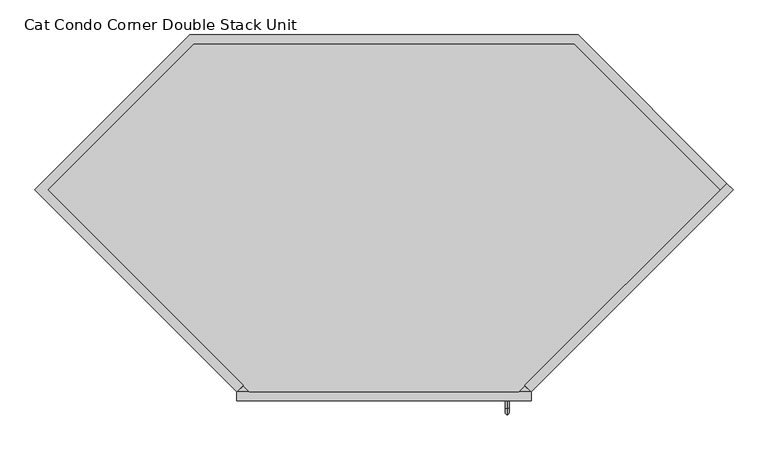
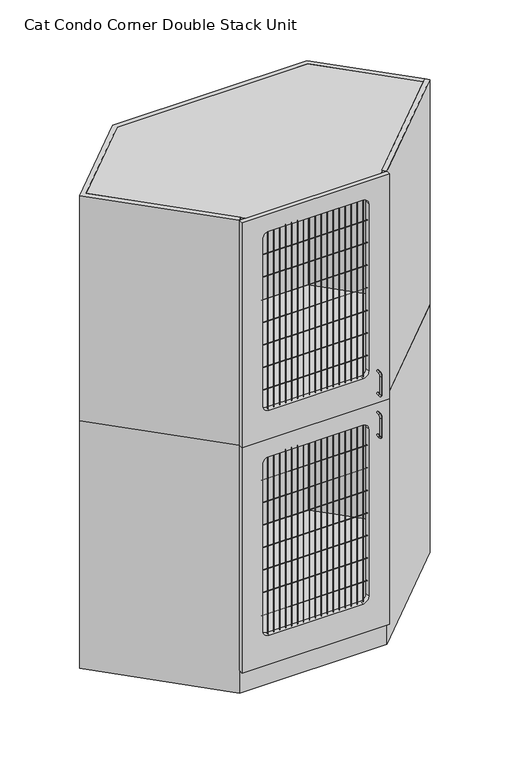
"""IFC4 building model written with IfcOpenShell, lengths in millimetres: proxy geometry, Cat Condo Corner Double Stack Unit."""

import ifcopenshell
import ifcopenshell.guid

model = None  # the IFC model being written
_history = None  # IfcOwnerHistory: only IFC2X3 demands one
_inside = {}  # id of a spatial element -> (the spatial element, [elements in it])
_under = {}  # id of a project, library or spatial element -> (it, [spatial elements below it])
_declared = {}  # id of a project -> (the project, [libraries it declares])
_typed = {}  # id of a type object -> (the type object, [elements of that type])
_made_of = {}  # id of a material, layer set ... -> (it, [elements and type objects made of it])


def new_model(schema):
    """Start an empty IFC model of exactly this schema.

    Asked for "IFC4X3", IfcOpenShell would pick the latest addendum, in which some entities
    have other attributes; the version numbers below select the first issue.
    IFC2X3 requires an IfcOwnerHistory on every rooted entity: one is made here for all.
    """
    global model, _history
    if schema == "IFC4X3":
        model = ifcopenshell.file(schema_version=(4, 3, 0, 0))
    else:
        model = ifcopenshell.file(schema=schema)
    _inside.clear()
    _under.clear()
    _declared.clear()
    _typed.clear()
    _made_of.clear()
    _history = None
    if model.schema == "IFC2X3":
        org = make("IfcOrganization", Name="unknown")
        user = make(
            "IfcPersonAndOrganization",
            ThePerson=make("IfcPerson", FamilyName="unknown"),
            TheOrganization=org,
        )
        app = make(
            "IfcApplication",
            ApplicationDeveloper=org,
            Version="unknown",
            ApplicationFullName="unknown",
            ApplicationIdentifier="unknown",
        )
        _history = make(
            "IfcOwnerHistory",
            OwningUser=user,
            OwningApplication=app,
            ChangeAction="ADDED",
            CreationDate=0,
        )
    return model


def make(cls, **values):
    """One entity of the class cls with the attributes given. An attribute that is None is left unset."""
    return model.create_entity(
        cls, **{name: value for name, value in values.items() if value is not None}
    )


def rooted(cls, **values):
    """An entity with a GlobalId (a new one), such as an element, a storey or a relation."""
    return make(cls, GlobalId=ifcopenshell.guid.new(), OwnerHistory=_history, **values)


def si_unit(unit_type, name, prefix=None):
    """IfcSIUnit, for example si_unit("LENGTHUNIT", "METRE", prefix="MILLI")."""
    return make("IfcSIUnit", UnitType=unit_type, Prefix=prefix, Name=name)


def assignment(units):
    """IfcUnitAssignment: the units of a project."""
    return None if units is None else make("IfcUnitAssignment", Units=units)


def point(xyz):
    """IfcCartesianPoint."""
    return None if xyz is None else make("IfcCartesianPoint", Coordinates=xyz)


def direction(xyz):
    """IfcDirection."""
    return None if xyz is None else make("IfcDirection", DirectionRatios=xyz)


def frame(location, z_axis=None, x_axis=None):
    """IfcAxis2Placement3D, a coordinate frame: its origin and axes. An axis left out is left unset."""
    return make(
        "IfcAxis2Placement3D",
        Location=point(location),
        Axis=direction(z_axis),
        RefDirection=direction(x_axis),
    )


def frame_2d(location, x_axis=None):
    """IfcAxis2Placement2D, a coordinate frame in the plane: its origin and x axis."""
    return make(
        "IfcAxis2Placement2D", Location=point(location), RefDirection=direction(x_axis)
    )


def origin():
    """The frame at (0, 0, 0) with its axes left unset."""
    return frame((0.0, 0.0, 0.0))


def origin_with_axes():
    """The frame at (0, 0, 0) with the z axis (0, 0, 1) and the x axis (1, 0, 0) written out."""
    return frame((0.0, 0.0, 0.0), z_axis=(0.0, 0.0, 1.0), x_axis=(1.0, 0.0, 0.0))


def place(relative_to, where):
    """IfcLocalPlacement: puts the frame where relative to a parent placement (None: the world)."""
    return make(
        "IfcLocalPlacement", PlacementRelTo=relative_to, RelativePlacement=where
    )


def context(
    kind, dimensions, precision=None, world=None, true_north=None, identifier=None
):
    """IfcGeometricRepresentationContext, for example the 3D "Model" context."""
    return make(
        "IfcGeometricRepresentationContext",
        ContextIdentifier=identifier,
        ContextType=kind,
        CoordinateSpaceDimension=dimensions,
        Precision=precision,
        WorldCoordinateSystem=world,
        TrueNorth=true_north,
    )


def project(units=None, contexts=None):
    """IfcProject with its units and contexts."""
    return rooted(
        "IfcProject",
        Name="project",
        RepresentationContexts=contexts,
        UnitsInContext=assignment(units),
    )


def spatial(cls, under=None, at=None, **own):
    """A site, building, storey or space (cls), placed at a placement, below another one or the project."""
    s = rooted(cls, ObjectPlacement=at, **own)
    if under is not None:
        _under.setdefault(under.id(), (under, []))[1].append(s)
    return s


def polyline(points):
    """IfcPolyline through the points."""
    return make("IfcPolyline", Points=[point(p) for p in points])


def circle_curve(where, radius):
    """IfcCircle in the frame where."""
    return make("IfcCircle", Position=where, Radius=radius)


def ellipse_curve(where, semi_axis1, semi_axis2):
    """IfcEllipse in the frame where."""
    return make(
        "IfcEllipse", Position=where, SemiAxis1=semi_axis1, SemiAxis2=semi_axis2
    )


def trimmed(basis, trim1, trim2, sense, master):
    """IfcTrimmedCurve: the piece of a basis curve between two trims."""
    return make(
        "IfcTrimmedCurve",
        BasisCurve=basis,
        Trim1=trim1,
        Trim2=trim2,
        SenseAgreement=sense,
        MasterRepresentation=master,
    )


def segment(curve, same_sense, transition):
    """IfcCompositeCurveSegment."""
    return make(
        "IfcCompositeCurveSegment",
        Transition=transition,
        SameSense=same_sense,
        ParentCurve=curve,
    )


def composite_curve(segments, self_intersect=None):
    """IfcCompositeCurve: segments joined end to end."""
    return make("IfcCompositeCurve", Segments=segments, SelfIntersect=self_intersect)


def outline(outer, holes=None, kind="AREA"):
    """IfcArbitraryClosedProfileDef: a profile drawn as a closed curve; with holes, ...WithVoids."""
    if holes is None:
        return make("IfcArbitraryClosedProfileDef", ProfileType=kind, OuterCurve=outer)
    return make(
        "IfcArbitraryProfileDefWithVoids",
        ProfileType=kind,
        OuterCurve=outer,
        InnerCurves=holes,
    )


def extrude(swept, where, along, depth):
    """IfcExtrudedAreaSolid: the profile swept, set in the frame where, extruded along a direction by depth."""
    return make(
        "IfcExtrudedAreaSolid",
        SweptArea=swept,
        Position=where,
        ExtrudedDirection=direction(along),
        Depth=depth,
    )


def faces_of(points, faces, orient=None, outer=None):
    """IfcFace entities. A face is a list of loops; a loop is a list of indices into points, from 0.

    orient and outer hold one flag for each loop. By default every Orientation is true, the
    first loop of a face is its IfcFaceOuterBound and the others are IfcFaceBound.
    """
    made = []
    for i, loops in enumerate(faces):
        bounds = []
        for j, loop in enumerate(loops):
            is_outer = j == 0 if outer is None else outer[i][j]
            bounds.append(
                make(
                    "IfcFaceOuterBound" if is_outer else "IfcFaceBound",
                    Bound=make("IfcPolyLoop", Polygon=[points[k] for k in loop]),
                    Orientation=True if orient is None else orient[i][j],
                )
            )
        made.append(make("IfcFace", Bounds=bounds))
    return made


def faceted_brep(points, faces, orient=None, outer=None, voids=None):
    """IfcFacetedBrep: a solid bounded by flat faces; with voids (closed shells), ...WithVoids."""
    shared = [point(p) for p in points]
    hull = make("IfcClosedShell", CfsFaces=faces_of(shared, faces, orient, outer))
    if voids is None:
        return make("IfcFacetedBrep", Outer=hull)
    return make(
        "IfcFacetedBrepWithVoids",
        Outer=hull,
        Voids=[
            make(cls, CfsFaces=faces_of(shared, fs, o, b)) for cls, fs, o, b in voids
        ],
    )


def shape(context_of_items, identifier, shape_type, items):
    """IfcShapeRepresentation: the items that make up one representation, for example the "Body"."""
    return make(
        "IfcShapeRepresentation",
        ContextOfItems=context_of_items,
        RepresentationIdentifier=identifier,
        RepresentationType=shape_type,
        Items=items,
    )


def source(mapping_origin, context_of_items, identifier, shape_type, items):
    """IfcRepresentationMap: a shape defined once, which mapped items show again and again."""
    return make(
        "IfcRepresentationMap",
        MappingOrigin=mapping_origin,
        MappedRepresentation=shape(context_of_items, identifier, shape_type, items),
    )


def transform(
    local_origin,
    x_axis=None,
    y_axis=None,
    z_axis=None,
    scale=None,
    scale2=None,
    scale3=None,
    uniform=True,
):
    """IfcCartesianTransformationOperator3D, or its non-uniform kind. x_axis, y_axis, z_axis: its Axis1, 2, 3."""
    if uniform:
        return make(
            "IfcCartesianTransformationOperator3D",
            Axis1=direction(x_axis),
            Axis2=direction(y_axis),
            LocalOrigin=point(local_origin),
            Scale=scale,
            Axis3=direction(z_axis),
        )
    return make(
        "IfcCartesianTransformationOperator3DnonUniform",
        Axis1=direction(x_axis),
        Axis2=direction(y_axis),
        LocalOrigin=point(local_origin),
        Scale=scale,
        Axis3=direction(z_axis),
        Scale2=scale2,
        Scale3=scale3,
    )


def mapped(mapping_source, mapping_target):
    """IfcMappedItem: shows the shape of a source again, moved by a transform."""
    return make(
        "IfcMappedItem", MappingSource=mapping_source, MappingTarget=mapping_target
    )


def made_of(thing, what):
    """Note that an element or type object is made of a material, layer set ...; save() writes the relation."""
    if what is not None:
        _made_of.setdefault(what.id(), (what, []))[1].append(thing)
    return thing


def element(
    cls,
    number,
    at=None,
    inside=None,
    cuts=None,
    type_object=None,
    material=None,
    context=None,
    identifier="Body",
    shape_type=None,
    held_by="IfcProductDefinitionShape",
    body=None,
    shapes=None,
    **own,
):
    """One element of the class cls, such as IfcWall. Its Tag is "e" and its number.

    at: its placement. inside: the storey or other place that contains it. cuts: it is an
    opening in that element (IfcRelVoidsElement). A single representation is given by context,
    identifier, shape_type and body (its items); several are given by shapes. held_by: the class
    of the entity that holds the representations. save() writes the other relations.
    """
    e = rooted(cls, Tag="e%d" % number, ObjectPlacement=at, **own)
    if body is not None:
        shapes = [shape(context, identifier, shape_type, body)]
    if shapes is not None:
        e.Representation = make(held_by, Representations=shapes)
    if inside is not None:
        _inside.setdefault(inside.id(), (inside, []))[1].append(e)
    if cuts is not None:
        rooted(
            "IfcRelVoidsElement", RelatingBuildingElement=cuts, RelatedOpeningElement=e
        )
    if type_object is not None:
        _typed.setdefault(type_object.id(), (type_object, []))[1].append(e)
    return made_of(e, material)


def aggregate(whole, parts):
    """IfcRelAggregates: a whole, such as a stair, and the parts it consists of."""
    return rooted("IfcRelAggregates", RelatingObject=whole, RelatedObjects=parts)


def save(model, path):
    """Write the relations noted so far, then the file.

    IfcRelAggregates (storeys below a building ...), IfcRelContainedInSpatialStructure (elements
    in a storey), IfcRelDefinesByType, IfcRelAssociatesMaterial and IfcRelDeclares: one each for
    every whole, place, type object, material and project.
    """
    for whole, parts in _under.values():
        aggregate(whole, parts)
    for where, things in _inside.values():
        rooted(
            "IfcRelContainedInSpatialStructure",
            RelatedElements=things,
            RelatingStructure=where,
        )
    for kind, things in _typed.values():
        rooted("IfcRelDefinesByType", RelatedObjects=things, RelatingType=kind)
    for what, things in _made_of.values():
        rooted("IfcRelAssociatesMaterial", RelatedObjects=things, RelatingMaterial=what)
    for by, libraries in _declared.values():
        rooted("IfcRelDeclares", RelatingContext=by, RelatedDefinitions=libraries)
    model.write(path)


def plane_surface(at):
    """IfcPlane: the flat surface through the origin of the frame at, square to its z axis."""
    return make("IfcPlane", Position=at)


def cylinder_surface(at, radius):
    """IfcCylindricalSurface: all points at the distance radius from the z axis of the frame at."""
    return make("IfcCylindricalSurface", Position=at, Radius=radius)


def revolved_surface(curve, axis_point, axis_direction):
    """IfcSurfaceOfRevolution: the curve turned about the line through axis_point along axis_direction."""
    return make(
        "IfcSurfaceOfRevolution",
        SweptCurve=make("IfcArbitraryOpenProfileDef", ProfileType="CURVE", Curve=curve),
        AxisPosition=make("IfcAxis1Placement", Location=point(axis_point), Axis=direction(axis_direction)),
    )


def advanced_brep(points, edges, surfaces, faces):
    """IfcAdvancedBrep: a solid bounded by faces that lie on surfaces and meet in shared edges.

    An edge is (start, end): straight between two places in points (the first is 0);
    or (start, end, curve); or (start, end, curve, False) where it runs against its curve.
    A face is (place in surfaces, loops), or (place, loops, False) where it looks against
    its surface's normal. A loop lists edges by number (the first is 1), with a minus sign
    where the edge is run from its end to its start. The first loop is the outer one.
    """
    corners = [point(p) for p in points]
    vertices = [make("IfcVertexPoint", VertexGeometry=c) for c in corners]
    made = []
    for start, end, *more in edges:
        made.append(
            make(
                "IfcEdgeCurve",
                EdgeStart=vertices[start],
                EdgeEnd=vertices[end],
                EdgeGeometry=more[0] if more else make("IfcPolyline", Points=[corners[start], corners[end]]),
                SameSense=more[1] if len(more) > 1 else True,
            )
        )
    hull = []
    for where, loops, *sense in faces:
        bounds = []
        for j, loop in enumerate(loops):
            ring = [make("IfcOrientedEdge", EdgeElement=made[abs(k) - 1], Orientation=k > 0) for k in loop]
            bounds.append(
                make(
                    "IfcFaceOuterBound" if j == 0 else "IfcFaceBound",
                    Bound=make("IfcEdgeLoop", EdgeList=ring),
                    Orientation=True,
                )
            )
        hull.append(make("IfcAdvancedFace", Bounds=bounds, FaceSurface=surfaces[where], SameSense=sense[0] if sense else True))
    return make("IfcAdvancedBrep", Outer=make("IfcClosedShell", CfsFaces=hull))


def cat_condo_corner_double_stack_unit_6531397d(model_context):
    return source(origin(), model_context, "Body", "SolidModel", [
        advanced_brep(
        [(567.1128423, -19.05, 1256.5493154), (567.1128423, -19.05, 1264.4006846), (567.1128423, -35.2117768, 1256.5493154), (567.1128423, -35.2117768, 1264.4006846), (567.1128423, -48.3756846, 1251.2367768), (567.1128423, -40.5243154, 1251.2367768), (567.1128423, -40.5243154, 1168.1132232), (567.1128423, -48.3756846, 1168.1132232), (567.1128423, -35.2117768, 1154.9493154), (567.1128423, -35.2117768, 1162.8006846), (567.1128423, -19.05, 1162.8006846), (567.1128423, -19.05, 1154.9493154)],
        [
            (0, 1, circle_curve(frame((567.1128423, -19.05, 1260.475), z_axis=(0.0, 1.0, 0.0), x_axis=(0.0, 0.0, 1.0)), 3.9256846)),
            (1, 0, circle_curve(frame((567.1128423, -19.05, 1260.475), z_axis=(0.0, 1.0, 0.0), x_axis=(0.0, 0.0, 1.0)), 3.9256846)),
            (0, 2),
            (2, 3, circle_curve(frame((567.1128423, -35.2117768, 1260.475), z_axis=(0.0, 1.0, 0.0), x_axis=(0.0, 0.0, 1.0)), 3.9256846)),
            (3, 1),
            (3, 2, circle_curve(frame((567.1128423, -35.2117768, 1260.475), z_axis=(0.0, 1.0, 0.0), x_axis=(0.0, 0.0, 1.0)), 3.9256846)),
            (4, 3, circle_curve(frame((567.1128423, -35.2117768, 1251.2367768), z_axis=(-1.0, 0.0, 0.0), x_axis=(0.0, 0.0, 1.0)), 13.1639078)),
            (2, 5, circle_curve(frame((567.1128423, -35.2117768, 1251.2367768), z_axis=(1.0, 0.0, 0.0), x_axis=(0.0, 0.0, 1.0)), 5.3125387)),
            (5, 4, circle_curve(frame((567.1128423, -44.45, 1251.2367768), z_axis=(0.0, 0.0, 1.0), x_axis=(0.0, -1.0, 0.0)), 3.9256846)),
            (4, 5, circle_curve(frame((567.1128423, -44.45, 1251.2367768), z_axis=(0.0, 0.0, 1.0), x_axis=(0.0, -1.0, 0.0)), 3.9256846)),
            (5, 6),
            (6, 7, circle_curve(frame((567.1128423, -44.45, 1168.1132232), z_axis=(0.0, 0.0, 1.0), x_axis=(0.0, -1.0, 0.0)), 3.9256846)),
            (7, 4),
            (7, 6, circle_curve(frame((567.1128423, -44.45, 1168.1132232), z_axis=(0.0, 0.0, 1.0), x_axis=(0.0, -1.0, 0.0)), 3.9256846)),
            (8, 7, circle_curve(frame((567.1128423, -35.2117768, 1168.1132232), z_axis=(-1.0, 0.0, 0.0), x_axis=(0.0, -1.0, 0.0)), 13.1639078)),
            (6, 9, circle_curve(frame((567.1128423, -35.2117768, 1168.1132232), z_axis=(1.0, 0.0, 0.0), x_axis=(0.0, -1.0, 0.0)), 5.3125387)),
            (9, 8, circle_curve(frame((567.1128423, -35.2117768, 1158.875), z_axis=(0.0, -1.0, 0.0), x_axis=(0.0, 0.0, -1.0)), 3.9256846)),
            (8, 9, circle_curve(frame((567.1128423, -35.2117768, 1158.875), z_axis=(0.0, -1.0, 0.0), x_axis=(0.0, 0.0, -1.0)), 3.9256846)),
            (10, 11, circle_curve(frame((567.1128423, -19.05, 1158.875), z_axis=(0.0, 1.0, 0.0), x_axis=(0.0, 0.0, -1.0)), 3.9256846)),
            (11, 10, circle_curve(frame((567.1128423, -19.05, 1158.875), z_axis=(0.0, 1.0, 0.0), x_axis=(0.0, 0.0, -1.0)), 3.9256846)),
            (9, 10),
            (11, 8),
        ],
        [
            plane_surface(frame((567.1128423, -19.05, 1260.475), z_axis=(0.0, 1.0, 0.0), x_axis=(1.0, 0.0, 0.0))),
            cylinder_surface(frame((567.1128423, -19.05, 1260.475), z_axis=(0.0, 1.0, 0.0), x_axis=(0.0, 0.0, 1.0)), 3.9256846),
            revolved_surface(trimmed(ellipse_curve(frame((567.1128423, -35.2117768, 1260.475), z_axis=(0.0, 1.0, 0.0), x_axis=(0.0, 0.0, 1.0)), 3.9256846, 3.9256846), [point((567.1128423, -35.2117768, 1256.5493154))], [point((567.1128423, -35.2117768, 1264.4006846))], True, "CARTESIAN"), (567.1128423, -35.2117768, 1251.2367768), (1.0, 0.0, 0.0)),
            revolved_surface(trimmed(ellipse_curve(frame((567.1128423, -35.2117768, 1260.475), z_axis=(0.0, 1.0, 0.0), x_axis=(0.0, 0.0, 1.0)), 3.9256846, 3.9256846), [point((567.1128423, -35.2117768, 1264.4006846))], [point((567.1128423, -35.2117768, 1256.5493154))], True, "CARTESIAN"), (567.1128423, -35.2117768, 1251.2367768), (1.0, 0.0, 0.0)),
            cylinder_surface(frame((567.1128423, -44.45, 1251.2367768), z_axis=(0.0, 0.0, 1.0), x_axis=(0.0, -1.0, 0.0)), 3.9256846),
            revolved_surface(trimmed(ellipse_curve(frame((567.1128423, -44.45, 1168.1132232), z_axis=(0.0, 0.0, 1.0), x_axis=(0.0, -1.0, 0.0)), 3.9256846, 3.9256846), [point((567.1128423, -40.5243154, 1168.1132232))], [point((567.1128423, -48.3756846, 1168.1132232))], True, "CARTESIAN"), (567.1128423, -35.2117768, 1168.1132232), (1.0, 0.0, 0.0)),
            revolved_surface(trimmed(ellipse_curve(frame((567.1128423, -44.45, 1168.1132232), z_axis=(0.0, 0.0, 1.0), x_axis=(0.0, -1.0, 0.0)), 3.9256846, 3.9256846), [point((567.1128423, -48.3756846, 1168.1132232))], [point((567.1128423, -40.5243154, 1168.1132232))], True, "CARTESIAN"), (567.1128423, -35.2117768, 1168.1132232), (1.0, 0.0, 0.0)),
            plane_surface(frame((567.1128423, -19.05, 1158.875), z_axis=(0.0, 1.0, 0.0), x_axis=(1.0, 0.0, 0.0))),
            cylinder_surface(frame((567.1128423, -35.2117768, 1158.875), z_axis=(0.0, -1.0, 0.0), x_axis=(0.0, 0.0, -1.0)), 3.9256846),
        ],
        [
            (0, [[1, 2]]),
            (1, [[-1, 3, 4, 5]]),
            (1, [[-2, -5, 6, -3]]),
            (2, [[7, -4, 8, 9]]),
            (3, [[-8, -6, -7, 10]]),
            (4, [[-9, 11, 12, 13]]),
            (4, [[-10, -13, 14, -11]]),
            (5, [[15, -12, 16, 17]]),
            (6, [[-16, -14, -15, 18]]),
            (7, [[19, 20]]),
            (8, [[-17, 21, -20, 22]]),
            (8, [[-18, -22, -19, -21]]),
        ],
    ),
        extrude(outline(polyline([(1035.8671158, 444.522678), (1049.3375, 431.0522938), (618.2852062, 0.0), (604.814822, 13.4703842), (1035.8671158, 444.522678)])), frame((0.0, 0.0, 1114.425), z_axis=(0.0, 0.0, 1.0), x_axis=(1.0, 0.0, 0.0)), (0.0, 0.0, 1.0), 1012.825),
        extrude(outline(polyline([(-110.3772938, 762.0), (718.3897938, 762.0), (1035.8671158, 444.522678), (1022.3967316, 431.0522938), (710.4990254, 742.95), (-102.4865254, 742.95), (-414.3842316, 431.0522938), (3.197678, 13.4703842), (-10.2727062, 0.0), (-441.325, 431.0522938), (-110.3772938, 762.0)])), frame((0.0, 0.0, 1114.425), z_axis=(0.0, 0.0, 1.0), x_axis=(1.0, 0.0, 0.0)), (0.0, 0.0, 1.0), 1012.825),
        extrude(outline(polyline([(1022.3967316, 431.0522938), (591.3444378, 0.0), (16.6680622, 0.0), (-414.3842316, 431.0522938), (-102.4865254, 742.95), (710.4990254, 742.95), (1022.3967316, 431.0522938)])), frame((0.0, 0.0, 2108.2), z_axis=(0.0, 0.0, 1.0), x_axis=(1.0, 0.0, 0.0)), (0.0, 0.0, 1.0), 19.05),
        extrude(outline(polyline([(-102.4865254, 742.95), (710.4990254, 742.95), (1022.3967316, 431.0522938), (610.3944378, 19.05), (-2.3819378, 19.05), (-414.3842316, 431.0522938), (-102.4865254, 742.95)])), frame((0.0, 0.0, 1114.425), z_axis=(0.0, 0.0, 1.0), x_axis=(1.0, 0.0, 0.0)), (0.0, 0.0, 1.0), 19.05),
        extrude(outline(composite_curve([segment(trimmed(circle_curve(frame_2d((-9.6602248, 1944.6875)), 0.79375), [point((-9.6602248, 1945.48125))], [point((-9.6602248, 1943.89375))], False, "CARTESIAN"), True, "CONTINUOUS"), segment(trimmed(circle_curve(frame_2d((-9.6602248, 1944.6875)), 0.79375), [point((-9.6602248, 1943.89375))], [point((-9.6602248, 1945.48125))], False, "CARTESIAN"), True, "CONTINUOUS")], self_intersect=False)), frame((78.58125, 0.0, 0.0), z_axis=(1.0, 0.0, 0.0), x_axis=(0.0, 1.0, 0.0)), (0.0, 0.0, 1.0), 450.85),
        extrude(outline(composite_curve([segment(trimmed(circle_curve(frame_2d((-9.6602248, 1843.0875)), 0.79375), [point((-9.6602248, 1843.88125))], [point((-9.6602248, 1842.29375))], False, "CARTESIAN"), True, "CONTINUOUS"), segment(trimmed(circle_curve(frame_2d((-9.6602248, 1843.0875)), 0.79375), [point((-9.6602248, 1842.29375))], [point((-9.6602248, 1843.88125))], False, "CARTESIAN"), True, "CONTINUOUS")], self_intersect=False)), frame((78.58125, 0.0, 0.0), z_axis=(1.0, 0.0, 0.0), x_axis=(0.0, 1.0, 0.0)), (0.0, 0.0, 1.0), 450.85),
        extrude(outline(composite_curve([segment(trimmed(circle_curve(frame_2d((-9.6602248, 1741.4875)), 0.79375), [point((-9.6602248, 1742.28125))], [point((-9.6602248, 1740.69375))], False, "CARTESIAN"), True, "CONTINUOUS"), segment(trimmed(circle_curve(frame_2d((-9.6602248, 1741.4875)), 0.79375), [point((-9.6602248, 1740.69375))], [point((-9.6602248, 1742.28125))], False, "CARTESIAN"), True, "CONTINUOUS")], self_intersect=False)), frame((78.58125, 0.0, 0.0), z_axis=(1.0, 0.0, 0.0), x_axis=(0.0, 1.0, 0.0)), (0.0, 0.0, 1.0), 450.85),
        extrude(outline(composite_curve([segment(trimmed(circle_curve(frame_2d((-9.6602248, 1639.8875)), 0.79375), [point((-9.6602248, 1640.68125))], [point((-9.6602248, 1639.09375))], False, "CARTESIAN"), True, "CONTINUOUS"), segment(trimmed(circle_curve(frame_2d((-9.6602248, 1639.8875)), 0.79375), [point((-9.6602248, 1639.09375))], [point((-9.6602248, 1640.68125))], False, "CARTESIAN"), True, "CONTINUOUS")], self_intersect=False)), frame((78.58125, 0.0, 0.0), z_axis=(1.0, 0.0, 0.0), x_axis=(0.0, 1.0, 0.0)), (0.0, 0.0, 1.0), 450.85),
        extrude(outline(composite_curve([segment(trimmed(circle_curve(frame_2d((-9.6602248, 1538.2875)), 0.79375), [point((-9.6602248, 1539.08125))], [point((-9.6602248, 1537.49375))], False, "CARTESIAN"), True, "CONTINUOUS"), segment(trimmed(circle_curve(frame_2d((-9.6602248, 1538.2875)), 0.79375), [point((-9.6602248, 1537.49375))], [point((-9.6602248, 1539.08125))], False, "CARTESIAN"), True, "CONTINUOUS")], self_intersect=False)), frame((78.58125, 0.0, 0.0), z_axis=(1.0, 0.0, 0.0), x_axis=(0.0, 1.0, 0.0)), (0.0, 0.0, 1.0), 450.85),
        extrude(outline(composite_curve([segment(trimmed(circle_curve(frame_2d((-9.6602248, 1436.6875)), 0.79375), [point((-9.6602248, 1437.48125))], [point((-9.6602248, 1435.89375))], False, "CARTESIAN"), True, "CONTINUOUS"), segment(trimmed(circle_curve(frame_2d((-9.6602248, 1436.6875)), 0.79375), [point((-9.6602248, 1435.89375))], [point((-9.6602248, 1437.48125))], False, "CARTESIAN"), True, "CONTINUOUS")], self_intersect=False)), frame((78.58125, 0.0, 0.0), z_axis=(1.0, 0.0, 0.0), x_axis=(0.0, 1.0, 0.0)), (0.0, 0.0, 1.0), 450.85),
        extrude(outline(composite_curve([segment(trimmed(circle_curve(frame_2d((-9.6602248, 1335.0875)), 0.79375), [point((-9.6602248, 1335.88125))], [point((-9.6602248, 1334.29375))], False, "CARTESIAN"), True, "CONTINUOUS"), segment(trimmed(circle_curve(frame_2d((-9.6602248, 1335.0875)), 0.79375), [point((-9.6602248, 1334.29375))], [point((-9.6602248, 1335.88125))], False, "CARTESIAN"), True, "CONTINUOUS")], self_intersect=False)), frame((78.58125, 0.0, 0.0), z_axis=(1.0, 0.0, 0.0), x_axis=(0.0, 1.0, 0.0)), (0.0, 0.0, 1.0), 450.85),
        extrude(outline(composite_curve([segment(trimmed(circle_curve(frame_2d((511.0919665, -9.6602248)), 0.79375), [point((510.2982165, -9.6602248))], [point((511.8857165, -9.6602248))], False, "CARTESIAN"), True, "CONTINUOUS"), segment(trimmed(circle_curve(frame_2d((511.0919665, -9.6602248)), 0.79375), [point((511.8857165, -9.6602248))], [point((510.2982165, -9.6602248))], False, "CARTESIAN"), True, "CONTINUOUS")], self_intersect=False)), frame((0.0, 0.0, 1244.6), z_axis=(0.0, 0.0, 1.0), x_axis=(1.0, 0.0, 0.0)), (0.0, 0.0, 1.0), 803.275),
        extrude(outline(composite_curve([segment(trimmed(circle_curve(frame_2d((485.6919665, -9.6602248)), 0.79375), [point((484.8982165, -9.6602248))], [point((486.4857165, -9.6602248))], False, "CARTESIAN"), True, "CONTINUOUS"), segment(trimmed(circle_curve(frame_2d((485.6919665, -9.6602248)), 0.79375), [point((486.4857165, -9.6602248))], [point((484.8982165, -9.6602248))], False, "CARTESIAN"), True, "CONTINUOUS")], self_intersect=False)), frame((0.0, 0.0, 1244.6), z_axis=(0.0, 0.0, 1.0), x_axis=(1.0, 0.0, 0.0)), (0.0, 0.0, 1.0), 803.275),
        extrude(outline(composite_curve([segment(trimmed(circle_curve(frame_2d((460.2919665, -9.6602248)), 0.79375), [point((459.4982165, -9.6602248))], [point((461.0857165, -9.6602248))], False, "CARTESIAN"), True, "CONTINUOUS"), segment(trimmed(circle_curve(frame_2d((460.2919665, -9.6602248)), 0.79375), [point((461.0857165, -9.6602248))], [point((459.4982165, -9.6602248))], False, "CARTESIAN"), True, "CONTINUOUS")], self_intersect=False)), frame((0.0, 0.0, 1244.6), z_axis=(0.0, 0.0, 1.0), x_axis=(1.0, 0.0, 0.0)), (0.0, 0.0, 1.0), 803.275),
        extrude(outline(composite_curve([segment(trimmed(circle_curve(frame_2d((434.8919665, -9.6602248)), 0.79375), [point((434.0982165, -9.6602248))], [point((435.6857165, -9.6602248))], False, "CARTESIAN"), True, "CONTINUOUS"), segment(trimmed(circle_curve(frame_2d((434.8919665, -9.6602248)), 0.79375), [point((435.6857165, -9.6602248))], [point((434.0982165, -9.6602248))], False, "CARTESIAN"), True, "CONTINUOUS")], self_intersect=False)), frame((0.0, 0.0, 1244.6), z_axis=(0.0, 0.0, 1.0), x_axis=(1.0, 0.0, 0.0)), (0.0, 0.0, 1.0), 803.275),
        extrude(outline(composite_curve([segment(trimmed(circle_curve(frame_2d((409.4919665, -9.6602248)), 0.79375), [point((408.6982165, -9.6602248))], [point((410.2857165, -9.6602248))], False, "CARTESIAN"), True, "CONTINUOUS"), segment(trimmed(circle_curve(frame_2d((409.4919665, -9.6602248)), 0.79375), [point((410.2857165, -9.6602248))], [point((408.6982165, -9.6602248))], False, "CARTESIAN"), True, "CONTINUOUS")], self_intersect=False)), frame((0.0, 0.0, 1244.6), z_axis=(0.0, 0.0, 1.0), x_axis=(1.0, 0.0, 0.0)), (0.0, 0.0, 1.0), 803.275),
        extrude(outline(composite_curve([segment(trimmed(circle_curve(frame_2d((384.0919665, -9.6602248)), 0.79375), [point((383.2982165, -9.6602248))], [point((384.8857165, -9.6602248))], False, "CARTESIAN"), True, "CONTINUOUS"), segment(trimmed(circle_curve(frame_2d((384.0919665, -9.6602248)), 0.79375), [point((384.8857165, -9.6602248))], [point((383.2982165, -9.6602248))], False, "CARTESIAN"), True, "CONTINUOUS")], self_intersect=False)), frame((0.0, 0.0, 1244.6), z_axis=(0.0, 0.0, 1.0), x_axis=(1.0, 0.0, 0.0)), (0.0, 0.0, 1.0), 803.275),
        extrude(outline(composite_curve([segment(trimmed(circle_curve(frame_2d((358.6919665, -9.6602248)), 0.79375), [point((357.8982165, -9.6602248))], [point((359.4857165, -9.6602248))], False, "CARTESIAN"), True, "CONTINUOUS"), segment(trimmed(circle_curve(frame_2d((358.6919665, -9.6602248)), 0.79375), [point((359.4857165, -9.6602248))], [point((357.8982165, -9.6602248))], False, "CARTESIAN"), True, "CONTINUOUS")], self_intersect=False)), frame((0.0, 0.0, 1244.6), z_axis=(0.0, 0.0, 1.0), x_axis=(1.0, 0.0, 0.0)), (0.0, 0.0, 1.0), 803.275),
        extrude(outline(composite_curve([segment(trimmed(circle_curve(frame_2d((333.2919665, -9.6602248)), 0.79375), [point((332.4982165, -9.6602248))], [point((334.0857165, -9.6602248))], False, "CARTESIAN"), True, "CONTINUOUS"), segment(trimmed(circle_curve(frame_2d((333.2919665, -9.6602248)), 0.79375), [point((334.0857165, -9.6602248))], [point((332.4982165, -9.6602248))], False, "CARTESIAN"), True, "CONTINUOUS")], self_intersect=False)), frame((0.0, 0.0, 1244.6), z_axis=(0.0, 0.0, 1.0), x_axis=(1.0, 0.0, 0.0)), (0.0, 0.0, 1.0), 803.275),
        extrude(outline(composite_curve([segment(trimmed(circle_curve(frame_2d((307.8919665, -9.6602248)), 0.79375), [point((307.0982165, -9.6602248))], [point((308.6857165, -9.6602248))], False, "CARTESIAN"), True, "CONTINUOUS"), segment(trimmed(circle_curve(frame_2d((307.8919665, -9.6602248)), 0.79375), [point((308.6857165, -9.6602248))], [point((307.0982165, -9.6602248))], False, "CARTESIAN"), True, "CONTINUOUS")], self_intersect=False)), frame((0.0, 0.0, 1244.6), z_axis=(0.0, 0.0, 1.0), x_axis=(1.0, 0.0, 0.0)), (0.0, 0.0, 1.0), 803.275),
        extrude(outline(composite_curve([segment(trimmed(circle_curve(frame_2d((282.4919665, -9.6602248)), 0.79375), [point((281.6982165, -9.6602248))], [point((283.2857165, -9.6602248))], False, "CARTESIAN"), True, "CONTINUOUS"), segment(trimmed(circle_curve(frame_2d((282.4919665, -9.6602248)), 0.79375), [point((283.2857165, -9.6602248))], [point((281.6982165, -9.6602248))], False, "CARTESIAN"), True, "CONTINUOUS")], self_intersect=False)), frame((0.0, 0.0, 1244.6), z_axis=(0.0, 0.0, 1.0), x_axis=(1.0, 0.0, 0.0)), (0.0, 0.0, 1.0), 803.275),
        extrude(outline(composite_curve([segment(trimmed(circle_curve(frame_2d((257.0919665, -9.6602248)), 0.79375), [point((256.2982165, -9.6602248))], [point((257.8857165, -9.6602248))], False, "CARTESIAN"), True, "CONTINUOUS"), segment(trimmed(circle_curve(frame_2d((257.0919665, -9.6602248)), 0.79375), [point((257.8857165, -9.6602248))], [point((256.2982165, -9.6602248))], False, "CARTESIAN"), True, "CONTINUOUS")], self_intersect=False)), frame((0.0, 0.0, 1244.6), z_axis=(0.0, 0.0, 1.0), x_axis=(1.0, 0.0, 0.0)), (0.0, 0.0, 1.0), 803.275),
        extrude(outline(composite_curve([segment(trimmed(circle_curve(frame_2d((231.6919665, -9.6602248)), 0.79375), [point((230.8982165, -9.6602248))], [point((232.4857165, -9.6602248))], False, "CARTESIAN"), True, "CONTINUOUS"), segment(trimmed(circle_curve(frame_2d((231.6919665, -9.6602248)), 0.79375), [point((232.4857165, -9.6602248))], [point((230.8982165, -9.6602248))], False, "CARTESIAN"), True, "CONTINUOUS")], self_intersect=False)), frame((0.0, 0.0, 1244.6), z_axis=(0.0, 0.0, 1.0), x_axis=(1.0, 0.0, 0.0)), (0.0, 0.0, 1.0), 803.275),
        extrude(outline(composite_curve([segment(trimmed(circle_curve(frame_2d((206.2919665, -9.6602248)), 0.79375), [point((205.4982165, -9.6602248))], [point((207.0857165, -9.6602248))], False, "CARTESIAN"), True, "CONTINUOUS"), segment(trimmed(circle_curve(frame_2d((206.2919665, -9.6602248)), 0.79375), [point((207.0857165, -9.6602248))], [point((205.4982165, -9.6602248))], False, "CARTESIAN"), True, "CONTINUOUS")], self_intersect=False)), frame((0.0, 0.0, 1244.6), z_axis=(0.0, 0.0, 1.0), x_axis=(1.0, 0.0, 0.0)), (0.0, 0.0, 1.0), 803.275),
        extrude(outline(composite_curve([segment(trimmed(circle_curve(frame_2d((180.8919665, -9.6602248)), 0.79375), [point((180.0982165, -9.6602248))], [point((181.6857165, -9.6602248))], False, "CARTESIAN"), True, "CONTINUOUS"), segment(trimmed(circle_curve(frame_2d((180.8919665, -9.6602248)), 0.79375), [point((181.6857165, -9.6602248))], [point((180.0982165, -9.6602248))], False, "CARTESIAN"), True, "CONTINUOUS")], self_intersect=False)), frame((0.0, 0.0, 1244.6), z_axis=(0.0, 0.0, 1.0), x_axis=(1.0, 0.0, 0.0)), (0.0, 0.0, 1.0), 803.275),
        extrude(outline(composite_curve([segment(trimmed(circle_curve(frame_2d((155.4919665, -9.6602248)), 0.79375), [point((154.6982165, -9.6602248))], [point((156.2857165, -9.6602248))], False, "CARTESIAN"), True, "CONTINUOUS"), segment(trimmed(circle_curve(frame_2d((155.4919665, -9.6602248)), 0.79375), [point((156.2857165, -9.6602248))], [point((154.6982165, -9.6602248))], False, "CARTESIAN"), True, "CONTINUOUS")], self_intersect=False)), frame((0.0, 0.0, 1244.6), z_axis=(0.0, 0.0, 1.0), x_axis=(1.0, 0.0, 0.0)), (0.0, 0.0, 1.0), 803.275),
        extrude(outline(composite_curve([segment(trimmed(circle_curve(frame_2d((130.0919665, -9.6602248)), 0.79375), [point((129.2982165, -9.6602248))], [point((130.8857165, -9.6602248))], False, "CARTESIAN"), True, "CONTINUOUS"), segment(trimmed(circle_curve(frame_2d((130.0919665, -9.6602248)), 0.79375), [point((130.8857165, -9.6602248))], [point((129.2982165, -9.6602248))], False, "CARTESIAN"), True, "CONTINUOUS")], self_intersect=False)), frame((0.0, 0.0, 1244.6), z_axis=(0.0, 0.0, 1.0), x_axis=(1.0, 0.0, 0.0)), (0.0, 0.0, 1.0), 803.275),
        extrude(outline(composite_curve([segment(trimmed(circle_curve(frame_2d((104.6919665, -9.6602248)), 0.79375), [point((103.8982165, -9.6602248))], [point((105.4857165, -9.6602248))], False, "CARTESIAN"), True, "CONTINUOUS"), segment(trimmed(circle_curve(frame_2d((104.6919665, -9.6602248)), 0.79375), [point((105.4857165, -9.6602248))], [point((103.8982165, -9.6602248))], False, "CARTESIAN"), True, "CONTINUOUS")], self_intersect=False)), frame((0.0, 0.0, 1244.6), z_axis=(0.0, 0.0, 1.0), x_axis=(1.0, 0.0, 0.0)), (0.0, 0.0, 1.0), 803.275),
        extrude(outline(polyline([(2127.25, 618.2852062), (2127.25, -10.2727062), (1114.425, -10.2727062), (1114.425, 618.2852062), (2127.25, 618.2852062)]), holes=[composite_curve([segment(polyline([(2047.875, 103.98125), (2047.875, 504.03125)]), True, "CONTINUOUS"), segment(trimmed(circle_curve(frame_2d((2022.475, 504.03125)), 25.4), [point((2047.875, 504.03125))], [point((2022.475, 529.43125))], True, "CARTESIAN"), True, "CONTINUOUS"), segment(polyline([(2022.475, 529.43125), (1270.0, 529.43125)]), True, "CONTINUOUS"), segment(trimmed(circle_curve(frame_2d((1270.0, 504.03125)), 25.4), [point((1270.0, 529.43125))], [point((1244.6, 504.03125))], True, "CARTESIAN"), True, "CONTINUOUS"), segment(polyline([(1244.6, 504.03125), (1244.6, 103.98125)]), True, "CONTINUOUS"), segment(trimmed(circle_curve(frame_2d((1270.0, 103.98125)), 25.4), [point((1244.6, 103.98125))], [point((1270.0, 78.58125))], True, "CARTESIAN"), True, "CONTINUOUS"), segment(polyline([(1270.0, 78.58125), (2022.475, 78.58125)]), True, "CONTINUOUS"), segment(trimmed(circle_curve(frame_2d((2022.475, 103.98125)), 25.4), [point((2022.475, 78.58125))], [point((2047.875, 103.98125))], True, "CARTESIAN"), True, "CONTINUOUS")], self_intersect=False)]), frame((0.0, -19.05, 0.0), z_axis=(0.0, 1.0, 0.0), x_axis=(0.0, 0.0, 1.0)), (0.0, 0.0, 1.0), 19.05),
        advanced_brep(
        [(567.1128423, -19.05, 1069.2243154), (567.1128423, -19.05, 1077.0756846), (567.1128423, -35.2117768, 1069.2243154), (567.1128423, -35.2117768, 1077.0756846), (567.1128423, -48.3756846, 1063.9117768), (567.1128423, -40.5243154, 1063.9117768), (567.1128423, -40.5243154, 980.7882232), (567.1128423, -48.3756846, 980.7882232), (567.1128423, -35.2117768, 967.6243154), (567.1128423, -35.2117768, 975.4756846), (567.1128423, -19.05, 975.4756846), (567.1128423, -19.05, 967.6243154)],
        [
            (0, 1, circle_curve(frame((567.1128423, -19.05, 1073.15), z_axis=(0.0, 1.0, 0.0), x_axis=(0.0, 0.0, 1.0)), 3.9256846)),
            (1, 0, circle_curve(frame((567.1128423, -19.05, 1073.15), z_axis=(0.0, 1.0, 0.0), x_axis=(0.0, 0.0, 1.0)), 3.9256846)),
            (0, 2),
            (2, 3, circle_curve(frame((567.1128423, -35.2117768, 1073.15), z_axis=(0.0, 1.0, 0.0), x_axis=(0.0, 0.0, 1.0)), 3.9256846)),
            (3, 1),
            (3, 2, circle_curve(frame((567.1128423, -35.2117768, 1073.15), z_axis=(0.0, 1.0, 0.0), x_axis=(0.0, 0.0, 1.0)), 3.9256846)),
            (4, 3, circle_curve(frame((567.1128423, -35.2117768, 1063.9117768), z_axis=(-1.0, 0.0, 0.0), x_axis=(0.0, 0.0, 1.0)), 13.1639078)),
            (2, 5, circle_curve(frame((567.1128423, -35.2117768, 1063.9117768), z_axis=(1.0, 0.0, 0.0), x_axis=(0.0, 0.0, 1.0)), 5.3125387)),
            (5, 4, circle_curve(frame((567.1128423, -44.45, 1063.9117768), z_axis=(0.0, 0.0, 1.0), x_axis=(0.0, -1.0, 0.0)), 3.9256846)),
            (4, 5, circle_curve(frame((567.1128423, -44.45, 1063.9117768), z_axis=(0.0, 0.0, 1.0), x_axis=(0.0, -1.0, 0.0)), 3.9256846)),
            (5, 6),
            (6, 7, circle_curve(frame((567.1128423, -44.45, 980.7882232), z_axis=(0.0, 0.0, 1.0), x_axis=(0.0, -1.0, 0.0)), 3.9256846)),
            (7, 4),
            (7, 6, circle_curve(frame((567.1128423, -44.45, 980.7882232), z_axis=(0.0, 0.0, 1.0), x_axis=(0.0, -1.0, 0.0)), 3.9256846)),
            (8, 7, circle_curve(frame((567.1128423, -35.2117768, 980.7882232), z_axis=(-1.0, 0.0, 0.0), x_axis=(0.0, -1.0, 0.0)), 13.1639078)),
            (6, 9, circle_curve(frame((567.1128423, -35.2117768, 980.7882232), z_axis=(1.0, 0.0, 0.0), x_axis=(0.0, -1.0, 0.0)), 5.3125387)),
            (9, 8, circle_curve(frame((567.1128423, -35.2117768, 971.55), z_axis=(0.0, -1.0, 0.0), x_axis=(0.0, 0.0, -1.0)), 3.9256846)),
            (8, 9, circle_curve(frame((567.1128423, -35.2117768, 971.55), z_axis=(0.0, -1.0, 0.0), x_axis=(0.0, 0.0, -1.0)), 3.9256846)),
            (10, 11, circle_curve(frame((567.1128423, -19.05, 971.55), z_axis=(0.0, 1.0, 0.0), x_axis=(0.0, 0.0, -1.0)), 3.9256846)),
            (11, 10, circle_curve(frame((567.1128423, -19.05, 971.55), z_axis=(0.0, 1.0, 0.0), x_axis=(0.0, 0.0, -1.0)), 3.9256846)),
            (9, 10),
            (11, 8),
        ],
        [
            plane_surface(frame((567.1128423, -19.05, 1073.15), z_axis=(0.0, 1.0, 0.0), x_axis=(1.0, 0.0, 0.0))),
            cylinder_surface(frame((567.1128423, -19.05, 1073.15), z_axis=(0.0, 1.0, 0.0), x_axis=(0.0, 0.0, 1.0)), 3.9256846),
            revolved_surface(trimmed(ellipse_curve(frame((567.1128423, -35.2117768, 1073.15), z_axis=(0.0, 1.0, 0.0), x_axis=(0.0, 0.0, 1.0)), 3.9256846, 3.9256846), [point((567.1128423, -35.2117768, 1069.2243154))], [point((567.1128423, -35.2117768, 1077.0756846))], True, "CARTESIAN"), (567.1128423, -35.2117768, 1063.9117768), (1.0, 0.0, 0.0)),
            revolved_surface(trimmed(ellipse_curve(frame((567.1128423, -35.2117768, 1073.15), z_axis=(0.0, 1.0, 0.0), x_axis=(0.0, 0.0, 1.0)), 3.9256846, 3.9256846), [point((567.1128423, -35.2117768, 1077.0756846))], [point((567.1128423, -35.2117768, 1069.2243154))], True, "CARTESIAN"), (567.1128423, -35.2117768, 1063.9117768), (1.0, 0.0, 0.0)),
            cylinder_surface(frame((567.1128423, -44.45, 1063.9117768), z_axis=(0.0, 0.0, 1.0), x_axis=(0.0, -1.0, 0.0)), 3.9256846),
            revolved_surface(trimmed(ellipse_curve(frame((567.1128423, -44.45, 980.7882232), z_axis=(0.0, 0.0, 1.0), x_axis=(0.0, -1.0, 0.0)), 3.9256846, 3.9256846), [point((567.1128423, -40.5243154, 980.7882232))], [point((567.1128423, -48.3756846, 980.7882232))], True, "CARTESIAN"), (567.1128423, -35.2117768, 980.7882232), (1.0, 0.0, 0.0)),
            revolved_surface(trimmed(ellipse_curve(frame((567.1128423, -44.45, 980.7882232), z_axis=(0.0, 0.0, 1.0), x_axis=(0.0, -1.0, 0.0)), 3.9256846, 3.9256846), [point((567.1128423, -48.3756846, 980.7882232))], [point((567.1128423, -40.5243154, 980.7882232))], True, "CARTESIAN"), (567.1128423, -35.2117768, 980.7882232), (1.0, 0.0, 0.0)),
            plane_surface(frame((567.1128423, -19.05, 971.55), z_axis=(0.0, 1.0, 0.0), x_axis=(1.0, 0.0, 0.0))),
            cylinder_surface(frame((567.1128423, -35.2117768, 971.55), z_axis=(0.0, -1.0, 0.0), x_axis=(0.0, 0.0, -1.0)), 3.9256846),
        ],
        [
            (0, [[1, 2]]),
            (1, [[-1, 3, 4, 5]]),
            (1, [[-2, -5, 6, -3]]),
            (2, [[7, -4, 8, 9]]),
            (3, [[-8, -6, -7, 10]]),
            (4, [[-9, 11, 12, 13]]),
            (4, [[-10, -13, 14, -11]]),
            (5, [[15, -12, 16, 17]]),
            (6, [[-16, -14, -15, 18]]),
            (7, [[19, 20]]),
            (8, [[-17, 21, -20, 22]]),
            (8, [[-18, -22, -19, -21]]),
        ],
    ),
        extrude(outline(polyline([(1035.8671158, 444.522678), (1049.3375, 431.0522938), (618.2852062, 0.0), (604.814822, 13.4703842), (1035.8671158, 444.522678)])), origin_with_axes(), (0.0, 0.0, 1.0), 1114.425),
        faceted_brep([(718.3897938, 762.0, 1114.425), (-110.3772938, 762.0, 1114.425), (-441.325, 431.0522938, 1114.425), (-10.2727062, 0.0, 1114.425), (3.197678, 13.4703842, 1114.425), (-414.3842316, 431.0522938, 1114.425), (-102.4865254, 742.95, 1114.425), (710.4990254, 742.95, 1114.425), (1022.3967316, 431.0522938, 1114.425), (1035.8671158, 444.522678, 1114.425), (-110.3772938, 762.0, 0.0), (718.3897938, 762.0, 0.0), (1035.8671158, 444.522678, 0.0), (1022.3967316, 431.0522938, 0.0), (710.4990254, 742.95, 0.0), (-102.4865254, 742.95, 0.0), (-414.3842316, 431.0522938, 0.0), (-2.3819378, 19.05, 0.0), (618.2852062, 19.05, 0.0), (618.2852062, 0.0, 0.0), (-10.2727062, 0.0, 0.0), (-441.325, 431.0522938, 0.0), (-10.2727062, 0.0, 101.6), (3.197678, 13.4703842, 101.6), (-2.3819378, 19.05, 101.6), (618.2852062, 0.0, 101.6), (618.2852062, 19.05, 101.6)], [[[0, 1, 2, 3, 4, 5, 6, 7, 8, 9]], [[10, 11, 12, 13, 14, 15, 16, 17, 18, 19, 20, 21]], [[1, 0, 11, 10]], [[6, 15, 14, 7]], [[6, 5, 16, 15]], [[1, 10, 21, 2]], [[9, 8, 13, 12]], [[13, 8, 7, 14]], [[0, 9, 12, 11]], [[3, 2, 21, 20, 22]], [[4, 3, 22, 23]], [[5, 4, 23, 24, 17, 16]], [[22, 25, 26, 24, 23]], [[26, 18, 17, 24]], [[25, 22, 20, 19]], [[26, 25, 19, 18]]]),
        extrude(outline(polyline([(1022.3967316, 431.0522938), (591.3444378, 0.0), (16.6680622, 0.0), (-414.3842316, 431.0522938), (-102.4865254, 742.95), (710.4990254, 742.95), (1022.3967316, 431.0522938)])), frame((0.0, 0.0, 1095.375), z_axis=(0.0, 0.0, 1.0), x_axis=(1.0, 0.0, 0.0)), (0.0, 0.0, 1.0), 19.05),
        extrude(outline(polyline([(-102.4865254, 742.95), (710.4990254, 742.95), (1022.3967316, 431.0522938), (610.3944378, 19.05), (-2.3819378, 19.05), (-414.3842316, 431.0522938), (-102.4865254, 742.95)])), frame((0.0, 0.0, 101.6), z_axis=(0.0, 0.0, 1.0), x_axis=(1.0, 0.0, 0.0)), (0.0, 0.0, 1.0), 19.05),
        extrude(outline(composite_curve([segment(trimmed(circle_curve(frame_2d((-9.6602248, 931.8625)), 0.79375), [point((-9.6602248, 932.65625))], [point((-9.6602248, 931.06875))], False, "CARTESIAN"), True, "CONTINUOUS"), segment(trimmed(circle_curve(frame_2d((-9.6602248, 931.8625)), 0.79375), [point((-9.6602248, 931.06875))], [point((-9.6602248, 932.65625))], False, "CARTESIAN"), True, "CONTINUOUS")], self_intersect=False)), frame((78.58125, 0.0, 0.0), z_axis=(1.0, 0.0, 0.0), x_axis=(0.0, 1.0, 0.0)), (0.0, 0.0, 1.0), 450.85),
        extrude(outline(composite_curve([segment(trimmed(circle_curve(frame_2d((-9.6602248, 830.2625)), 0.79375), [point((-9.6602248, 831.05625))], [point((-9.6602248, 829.46875))], False, "CARTESIAN"), True, "CONTINUOUS"), segment(trimmed(circle_curve(frame_2d((-9.6602248, 830.2625)), 0.79375), [point((-9.6602248, 829.46875))], [point((-9.6602248, 831.05625))], False, "CARTESIAN"), True, "CONTINUOUS")], self_intersect=False)), frame((78.58125, 0.0, 0.0), z_axis=(1.0, 0.0, 0.0), x_axis=(0.0, 1.0, 0.0)), (0.0, 0.0, 1.0), 450.85),
        extrude(outline(composite_curve([segment(trimmed(circle_curve(frame_2d((-9.6602248, 728.6625)), 0.79375), [point((-9.6602248, 729.45625))], [point((-9.6602248, 727.86875))], False, "CARTESIAN"), True, "CONTINUOUS"), segment(trimmed(circle_curve(frame_2d((-9.6602248, 728.6625)), 0.79375), [point((-9.6602248, 727.86875))], [point((-9.6602248, 729.45625))], False, "CARTESIAN"), True, "CONTINUOUS")], self_intersect=False)), frame((78.58125, 0.0, 0.0), z_axis=(1.0, 0.0, 0.0), x_axis=(0.0, 1.0, 0.0)), (0.0, 0.0, 1.0), 450.85),
        extrude(outline(composite_curve([segment(trimmed(circle_curve(frame_2d((-9.6602248, 627.0625)), 0.79375), [point((-9.6602248, 627.85625))], [point((-9.6602248, 626.26875))], False, "CARTESIAN"), True, "CONTINUOUS"), segment(trimmed(circle_curve(frame_2d((-9.6602248, 627.0625)), 0.79375), [point((-9.6602248, 626.26875))], [point((-9.6602248, 627.85625))], False, "CARTESIAN"), True, "CONTINUOUS")], self_intersect=False)), frame((78.58125, 0.0, 0.0), z_axis=(1.0, 0.0, 0.0), x_axis=(0.0, 1.0, 0.0)), (0.0, 0.0, 1.0), 450.85),
        extrude(outline(composite_curve([segment(trimmed(circle_curve(frame_2d((-9.6602248, 525.4625)), 0.79375), [point((-9.6602248, 526.25625))], [point((-9.6602248, 524.66875))], False, "CARTESIAN"), True, "CONTINUOUS"), segment(trimmed(circle_curve(frame_2d((-9.6602248, 525.4625)), 0.79375), [point((-9.6602248, 524.66875))], [point((-9.6602248, 526.25625))], False, "CARTESIAN"), True, "CONTINUOUS")], self_intersect=False)), frame((78.58125, 0.0, 0.0), z_axis=(1.0, 0.0, 0.0), x_axis=(0.0, 1.0, 0.0)), (0.0, 0.0, 1.0), 450.85),
        extrude(outline(composite_curve([segment(trimmed(circle_curve(frame_2d((-9.6602248, 423.8625)), 0.79375), [point((-9.6602248, 424.65625))], [point((-9.6602248, 423.06875))], False, "CARTESIAN"), True, "CONTINUOUS"), segment(trimmed(circle_curve(frame_2d((-9.6602248, 423.8625)), 0.79375), [point((-9.6602248, 423.06875))], [point((-9.6602248, 424.65625))], False, "CARTESIAN"), True, "CONTINUOUS")], self_intersect=False)), frame((78.58125, 0.0, 0.0), z_axis=(1.0, 0.0, 0.0), x_axis=(0.0, 1.0, 0.0)), (0.0, 0.0, 1.0), 450.85),
        extrude(outline(composite_curve([segment(trimmed(circle_curve(frame_2d((-9.6602248, 322.2625)), 0.79375), [point((-9.6602248, 323.05625))], [point((-9.6602248, 321.46875))], False, "CARTESIAN"), True, "CONTINUOUS"), segment(trimmed(circle_curve(frame_2d((-9.6602248, 322.2625)), 0.79375), [point((-9.6602248, 321.46875))], [point((-9.6602248, 323.05625))], False, "CARTESIAN"), True, "CONTINUOUS")], self_intersect=False)), frame((78.58125, 0.0, 0.0), z_axis=(1.0, 0.0, 0.0), x_axis=(0.0, 1.0, 0.0)), (0.0, 0.0, 1.0), 450.85),
        extrude(outline(composite_curve([segment(trimmed(circle_curve(frame_2d((511.0919665, -9.6602248)), 0.79375), [point((510.2982165, -9.6602248))], [point((511.8857165, -9.6602248))], False, "CARTESIAN"), True, "CONTINUOUS"), segment(trimmed(circle_curve(frame_2d((511.0919665, -9.6602248)), 0.79375), [point((511.8857165, -9.6602248))], [point((510.2982165, -9.6602248))], False, "CARTESIAN"), True, "CONTINUOUS")], self_intersect=False)), frame((0.0, 0.0, 231.775), z_axis=(0.0, 0.0, 1.0), x_axis=(1.0, 0.0, 0.0)), (0.0, 0.0, 1.0), 803.275),
        extrude(outline(composite_curve([segment(trimmed(circle_curve(frame_2d((485.6919665, -9.6602248)), 0.79375), [point((484.8982165, -9.6602248))], [point((486.4857165, -9.6602248))], False, "CARTESIAN"), True, "CONTINUOUS"), segment(trimmed(circle_curve(frame_2d((485.6919665, -9.6602248)), 0.79375), [point((486.4857165, -9.6602248))], [point((484.8982165, -9.6602248))], False, "CARTESIAN"), True, "CONTINUOUS")], self_intersect=False)), frame((0.0, 0.0, 231.775), z_axis=(0.0, 0.0, 1.0), x_axis=(1.0, 0.0, 0.0)), (0.0, 0.0, 1.0), 803.275),
        extrude(outline(composite_curve([segment(trimmed(circle_curve(frame_2d((460.2919665, -9.6602248)), 0.79375), [point((459.4982165, -9.6602248))], [point((461.0857165, -9.6602248))], False, "CARTESIAN"), True, "CONTINUOUS"), segment(trimmed(circle_curve(frame_2d((460.2919665, -9.6602248)), 0.79375), [point((461.0857165, -9.6602248))], [point((459.4982165, -9.6602248))], False, "CARTESIAN"), True, "CONTINUOUS")], self_intersect=False)), frame((0.0, 0.0, 231.775), z_axis=(0.0, 0.0, 1.0), x_axis=(1.0, 0.0, 0.0)), (0.0, 0.0, 1.0), 803.275),
        extrude(outline(composite_curve([segment(trimmed(circle_curve(frame_2d((434.8919665, -9.6602248)), 0.79375), [point((434.0982165, -9.6602248))], [point((435.6857165, -9.6602248))], False, "CARTESIAN"), True, "CONTINUOUS"), segment(trimmed(circle_curve(frame_2d((434.8919665, -9.6602248)), 0.79375), [point((435.6857165, -9.6602248))], [point((434.0982165, -9.6602248))], False, "CARTESIAN"), True, "CONTINUOUS")], self_intersect=False)), frame((0.0, 0.0, 231.775), z_axis=(0.0, 0.0, 1.0), x_axis=(1.0, 0.0, 0.0)), (0.0, 0.0, 1.0), 803.275),
        extrude(outline(composite_curve([segment(trimmed(circle_curve(frame_2d((409.4919665, -9.6602248)), 0.79375), [point((408.6982165, -9.6602248))], [point((410.2857165, -9.6602248))], False, "CARTESIAN"), True, "CONTINUOUS"), segment(trimmed(circle_curve(frame_2d((409.4919665, -9.6602248)), 0.79375), [point((410.2857165, -9.6602248))], [point((408.6982165, -9.6602248))], False, "CARTESIAN"), True, "CONTINUOUS")], self_intersect=False)), frame((0.0, 0.0, 231.775), z_axis=(0.0, 0.0, 1.0), x_axis=(1.0, 0.0, 0.0)), (0.0, 0.0, 1.0), 803.275),
        extrude(outline(composite_curve([segment(trimmed(circle_curve(frame_2d((384.0919665, -9.6602248)), 0.79375), [point((383.2982165, -9.6602248))], [point((384.8857165, -9.6602248))], False, "CARTESIAN"), True, "CONTINUOUS"), segment(trimmed(circle_curve(frame_2d((384.0919665, -9.6602248)), 0.79375), [point((384.8857165, -9.6602248))], [point((383.2982165, -9.6602248))], False, "CARTESIAN"), True, "CONTINUOUS")], self_intersect=False)), frame((0.0, 0.0, 231.775), z_axis=(0.0, 0.0, 1.0), x_axis=(1.0, 0.0, 0.0)), (0.0, 0.0, 1.0), 803.275),
        extrude(outline(composite_curve([segment(trimmed(circle_curve(frame_2d((358.6919665, -9.6602248)), 0.79375), [point((357.8982165, -9.6602248))], [point((359.4857165, -9.6602248))], False, "CARTESIAN"), True, "CONTINUOUS"), segment(trimmed(circle_curve(frame_2d((358.6919665, -9.6602248)), 0.79375), [point((359.4857165, -9.6602248))], [point((357.8982165, -9.6602248))], False, "CARTESIAN"), True, "CONTINUOUS")], self_intersect=False)), frame((0.0, 0.0, 231.775), z_axis=(0.0, 0.0, 1.0), x_axis=(1.0, 0.0, 0.0)), (0.0, 0.0, 1.0), 803.275),
        extrude(outline(composite_curve([segment(trimmed(circle_curve(frame_2d((333.2919665, -9.6602248)), 0.79375), [point((332.4982165, -9.6602248))], [point((334.0857165, -9.6602248))], False, "CARTESIAN"), True, "CONTINUOUS"), segment(trimmed(circle_curve(frame_2d((333.2919665, -9.6602248)), 0.79375), [point((334.0857165, -9.6602248))], [point((332.4982165, -9.6602248))], False, "CARTESIAN"), True, "CONTINUOUS")], self_intersect=False)), frame((0.0, 0.0, 231.775), z_axis=(0.0, 0.0, 1.0), x_axis=(1.0, 0.0, 0.0)), (0.0, 0.0, 1.0), 803.275),
        extrude(outline(composite_curve([segment(trimmed(circle_curve(frame_2d((307.8919665, -9.6602248)), 0.79375), [point((307.0982165, -9.6602248))], [point((308.6857165, -9.6602248))], False, "CARTESIAN"), True, "CONTINUOUS"), segment(trimmed(circle_curve(frame_2d((307.8919665, -9.6602248)), 0.79375), [point((308.6857165, -9.6602248))], [point((307.0982165, -9.6602248))], False, "CARTESIAN"), True, "CONTINUOUS")], self_intersect=False)), frame((0.0, 0.0, 231.775), z_axis=(0.0, 0.0, 1.0), x_axis=(1.0, 0.0, 0.0)), (0.0, 0.0, 1.0), 803.275),
        extrude(outline(composite_curve([segment(trimmed(circle_curve(frame_2d((282.4919665, -9.6602248)), 0.79375), [point((281.6982165, -9.6602248))], [point((283.2857165, -9.6602248))], False, "CARTESIAN"), True, "CONTINUOUS"), segment(trimmed(circle_curve(frame_2d((282.4919665, -9.6602248)), 0.79375), [point((283.2857165, -9.6602248))], [point((281.6982165, -9.6602248))], False, "CARTESIAN"), True, "CONTINUOUS")], self_intersect=False)), frame((0.0, 0.0, 231.775), z_axis=(0.0, 0.0, 1.0), x_axis=(1.0, 0.0, 0.0)), (0.0, 0.0, 1.0), 803.275),
        extrude(outline(composite_curve([segment(trimmed(circle_curve(frame_2d((257.0919665, -9.6602248)), 0.79375), [point((256.2982165, -9.6602248))], [point((257.8857165, -9.6602248))], False, "CARTESIAN"), True, "CONTINUOUS"), segment(trimmed(circle_curve(frame_2d((257.0919665, -9.6602248)), 0.79375), [point((257.8857165, -9.6602248))], [point((256.2982165, -9.6602248))], False, "CARTESIAN"), True, "CONTINUOUS")], self_intersect=False)), frame((0.0, 0.0, 231.775), z_axis=(0.0, 0.0, 1.0), x_axis=(1.0, 0.0, 0.0)), (0.0, 0.0, 1.0), 803.275),
        extrude(outline(composite_curve([segment(trimmed(circle_curve(frame_2d((231.6919665, -9.6602248)), 0.79375), [point((230.8982165, -9.6602248))], [point((232.4857165, -9.6602248))], False, "CARTESIAN"), True, "CONTINUOUS"), segment(trimmed(circle_curve(frame_2d((231.6919665, -9.6602248)), 0.79375), [point((232.4857165, -9.6602248))], [point((230.8982165, -9.6602248))], False, "CARTESIAN"), True, "CONTINUOUS")], self_intersect=False)), frame((0.0, 0.0, 231.775), z_axis=(0.0, 0.0, 1.0), x_axis=(1.0, 0.0, 0.0)), (0.0, 0.0, 1.0), 803.275),
        extrude(outline(composite_curve([segment(trimmed(circle_curve(frame_2d((206.2919665, -9.6602248)), 0.79375), [point((205.4982165, -9.6602248))], [point((207.0857165, -9.6602248))], False, "CARTESIAN"), True, "CONTINUOUS"), segment(trimmed(circle_curve(frame_2d((206.2919665, -9.6602248)), 0.79375), [point((207.0857165, -9.6602248))], [point((205.4982165, -9.6602248))], False, "CARTESIAN"), True, "CONTINUOUS")], self_intersect=False)), frame((0.0, 0.0, 231.775), z_axis=(0.0, 0.0, 1.0), x_axis=(1.0, 0.0, 0.0)), (0.0, 0.0, 1.0), 803.275),
        extrude(outline(composite_curve([segment(trimmed(circle_curve(frame_2d((180.8919665, -9.6602248)), 0.79375), [point((180.0982165, -9.6602248))], [point((181.6857165, -9.6602248))], False, "CARTESIAN"), True, "CONTINUOUS"), segment(trimmed(circle_curve(frame_2d((180.8919665, -9.6602248)), 0.79375), [point((181.6857165, -9.6602248))], [point((180.0982165, -9.6602248))], False, "CARTESIAN"), True, "CONTINUOUS")], self_intersect=False)), frame((0.0, 0.0, 231.775), z_axis=(0.0, 0.0, 1.0), x_axis=(1.0, 0.0, 0.0)), (0.0, 0.0, 1.0), 803.275),
        extrude(outline(composite_curve([segment(trimmed(circle_curve(frame_2d((155.4919665, -9.6602248)), 0.79375), [point((154.6982165, -9.6602248))], [point((156.2857165, -9.6602248))], False, "CARTESIAN"), True, "CONTINUOUS"), segment(trimmed(circle_curve(frame_2d((155.4919665, -9.6602248)), 0.79375), [point((156.2857165, -9.6602248))], [point((154.6982165, -9.6602248))], False, "CARTESIAN"), True, "CONTINUOUS")], self_intersect=False)), frame((0.0, 0.0, 231.775), z_axis=(0.0, 0.0, 1.0), x_axis=(1.0, 0.0, 0.0)), (0.0, 0.0, 1.0), 803.275),
        extrude(outline(composite_curve([segment(trimmed(circle_curve(frame_2d((130.0919665, -9.6602248)), 0.79375), [point((129.2982165, -9.6602248))], [point((130.8857165, -9.6602248))], False, "CARTESIAN"), True, "CONTINUOUS"), segment(trimmed(circle_curve(frame_2d((130.0919665, -9.6602248)), 0.79375), [point((130.8857165, -9.6602248))], [point((129.2982165, -9.6602248))], False, "CARTESIAN"), True, "CONTINUOUS")], self_intersect=False)), frame((0.0, 0.0, 231.775), z_axis=(0.0, 0.0, 1.0), x_axis=(1.0, 0.0, 0.0)), (0.0, 0.0, 1.0), 803.275),
        extrude(outline(composite_curve([segment(trimmed(circle_curve(frame_2d((104.6919665, -9.6602248)), 0.79375), [point((103.8982165, -9.6602248))], [point((105.4857165, -9.6602248))], False, "CARTESIAN"), True, "CONTINUOUS"), segment(trimmed(circle_curve(frame_2d((104.6919665, -9.6602248)), 0.79375), [point((105.4857165, -9.6602248))], [point((103.8982165, -9.6602248))], False, "CARTESIAN"), True, "CONTINUOUS")], self_intersect=False)), frame((0.0, 0.0, 231.775), z_axis=(0.0, 0.0, 1.0), x_axis=(1.0, 0.0, 0.0)), (0.0, 0.0, 1.0), 803.275),
        extrude(outline(polyline([(1114.425, 618.2852062), (1114.425, -10.2727062), (101.6, -10.2727062), (101.6, 618.2852062), (1114.425, 618.2852062)]), holes=[composite_curve([segment(polyline([(1035.05, 103.98125), (1035.05, 504.03125)]), True, "CONTINUOUS"), segment(trimmed(circle_curve(frame_2d((1009.65, 504.03125)), 25.4), [point((1035.05, 504.03125))], [point((1009.65, 529.43125))], True, "CARTESIAN"), True, "CONTINUOUS"), segment(polyline([(1009.65, 529.43125), (257.175, 529.43125)]), True, "CONTINUOUS"), segment(trimmed(circle_curve(frame_2d((257.175, 504.03125)), 25.4), [point((257.175, 529.43125))], [point((231.775, 504.03125))], True, "CARTESIAN"), True, "CONTINUOUS"), segment(polyline([(231.775, 504.03125), (231.775, 103.98125)]), True, "CONTINUOUS"), segment(trimmed(circle_curve(frame_2d((257.175, 103.98125)), 25.4), [point((231.775, 103.98125))], [point((257.175, 78.58125))], True, "CARTESIAN"), True, "CONTINUOUS"), segment(polyline([(257.175, 78.58125), (1009.65, 78.58125)]), True, "CONTINUOUS"), segment(trimmed(circle_curve(frame_2d((1009.65, 103.98125)), 25.4), [point((1009.65, 78.58125))], [point((1035.05, 103.98125))], True, "CARTESIAN"), True, "CONTINUOUS")], self_intersect=False)]), frame((0.0, -19.05, 0.0), z_axis=(0.0, 1.0, 0.0), x_axis=(0.0, 0.0, 1.0)), (0.0, 0.0, 1.0), 19.05),
    ])


if __name__ == "__main__":
    model = new_model("IFC4")
    model_context = context("Model", 3, world=origin())
    ifc_project = project(units=[si_unit("LENGTHUNIT", "METRE", prefix="MILLI")], contexts=[model_context])
    site = spatial("IfcSite", under=ifc_project)
    building = spatial("IfcBuilding", under=site)
    placement = place(None, origin())
    cat_condo_corner_double_stack_unit_shape = cat_condo_corner_double_stack_unit_6531397d(model_context)
    element("IfcBuildingElementProxy", 1, Name="Cat Condo Corner Double Stack Unit", ObjectType="Cat Condo Corner Double Stack Unit", at=placement, inside=building, context=model_context, shape_type="MappedRepresentation", body=[
        mapped(cat_condo_corner_double_stack_unit_shape, transform((0.0, 0.0, 0.0), x_axis=(1.0, 0.0, 0.0), y_axis=(0.0, 1.0, 0.0), z_axis=(0.0, 0.0, 1.0))),
    ])
    save(model, "model.ifc")
